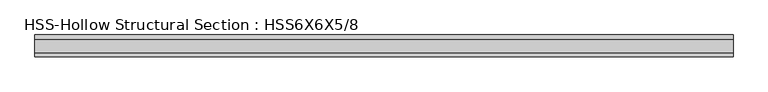
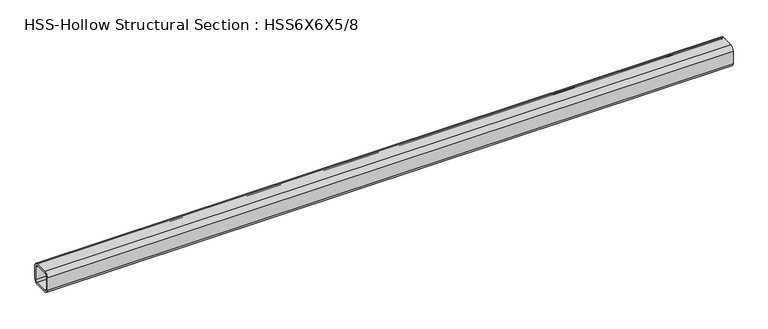
"""IFC4 building model written with IfcOpenShell, lengths in millimetres: beam geometry, HSS-Hollow Structural Section : HSS6X6X5/8."""

from ifc_helpers import new_model, si_unit, point, frame, frame_2d, origin, place, context, project, spatial, polyline, circle_curve, trimmed, segment, composite_curve, outline, extrude, source, transform, mapped, element, save


def hss_hollow_structural_section_hss6x6x5_8_e7365045(model_context):
    return source(origin(), model_context, "Body", "SweptSolid", [
        extrude(outline(composite_curve([segment(polyline([(76.2, 46.6852), (76.2, -46.6852)]), True, "CONTINUOUS"), segment(trimmed(circle_curve(frame_2d((46.6852, -46.6852)), 29.5148), [point((76.2, -46.6852))], [point((46.6852, -76.2))], False, "CARTESIAN"), True, "CONTINUOUS"), segment(polyline([(46.6852, -76.2), (-46.6852, -76.2)]), True, "CONTINUOUS"), segment(trimmed(circle_curve(frame_2d((-46.6852, -46.6852)), 29.5148), [point((-46.6852, -76.2))], [point((-76.2, -46.6852))], False, "CARTESIAN"), True, "CONTINUOUS"), segment(polyline([(-76.2, -46.6852), (-76.2, 46.6852)]), True, "CONTINUOUS"), segment(trimmed(circle_curve(frame_2d((-46.6852, 46.6852)), 29.5148), [point((-76.2, 46.6852))], [point((-46.6852, 76.2))], False, "CARTESIAN"), True, "CONTINUOUS"), segment(polyline([(-46.6852, 76.2), (46.6852, 76.2)]), True, "CONTINUOUS"), segment(trimmed(circle_curve(frame_2d((46.6852, 46.6852)), 29.5148), [point((46.6852, 76.2))], [point((76.2, 46.6852))], False, "CARTESIAN"), True, "CONTINUOUS")], self_intersect=False), holes=[composite_curve([segment(trimmed(circle_curve(frame_2d((-46.6852, 46.6852)), 14.7574), [point((-46.6852, 61.4426))], [point((-61.4426, 46.6852))], True, "CARTESIAN"), True, "CONTINUOUS"), segment(polyline([(-61.4426, 46.6852), (-61.4426, -46.6852)]), True, "CONTINUOUS"), segment(trimmed(circle_curve(frame_2d((-46.6852, -46.6852)), 14.7574), [point((-61.4426, -46.6852))], [point((-46.6852, -61.4426))], True, "CARTESIAN"), True, "CONTINUOUS"), segment(polyline([(-46.6852, -61.4426), (46.6852, -61.4426)]), True, "CONTINUOUS"), segment(trimmed(circle_curve(frame_2d((46.6852, -46.6852)), 14.7574), [point((46.6852, -61.4426))], [point((61.4426, -46.6852))], True, "CARTESIAN"), True, "CONTINUOUS"), segment(polyline([(61.4426, -46.6852), (61.4426, 46.6852)]), True, "CONTINUOUS"), segment(trimmed(circle_curve(frame_2d((46.6852, 46.6852)), 14.7574), [point((61.4426, 46.6852))], [point((46.6852, 61.4426))], True, "CARTESIAN"), True, "CONTINUOUS"), segment(polyline([(46.6852, 61.4426), (-46.6852, 61.4426)]), True, "CONTINUOUS")], self_intersect=False)]), frame((-2438.4, 0.0, 0.0), z_axis=(1.0, 0.0, 0.0), x_axis=(0.0, 1.0, 0.0)), (0.0, 0.0, 1.0), 4876.8),
    ])


if __name__ == "__main__":
    model = new_model("IFC4")
    model_context = context("Model", 3, world=origin())
    ifc_project = project(units=[si_unit("LENGTHUNIT", "METRE", prefix="MILLI")], contexts=[model_context])
    site = spatial("IfcSite", under=ifc_project)
    building = spatial("IfcBuilding", under=site)
    placement = place(None, origin())
    hss_hollow_structural_section_hss6x6x5_8_shape = hss_hollow_structural_section_hss6x6x5_8_e7365045(model_context)
    element("IfcBeam", 1, ObjectType="HSS-Hollow Structural Section : HSS6X6X5/8", at=placement, inside=building, context=model_context, shape_type="MappedRepresentation", body=[
        mapped(hss_hollow_structural_section_hss6x6x5_8_shape, transform((0.0, 0.0, 0.0), x_axis=(1.0, 0.0, 0.0), y_axis=(0.0, 1.0, 0.0), z_axis=(0.0, 0.0, 1.0))),
    ])
    save(model, "model.ifc")
